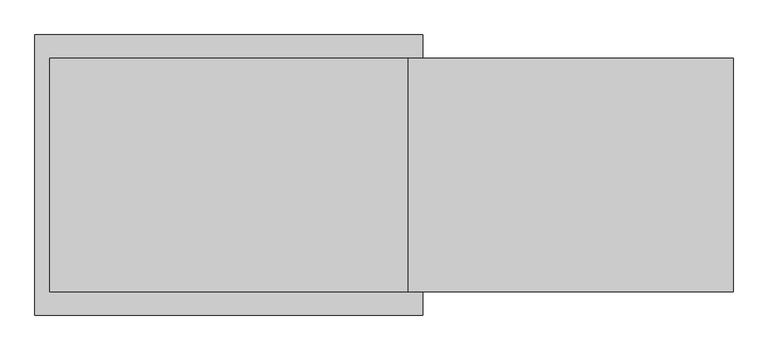
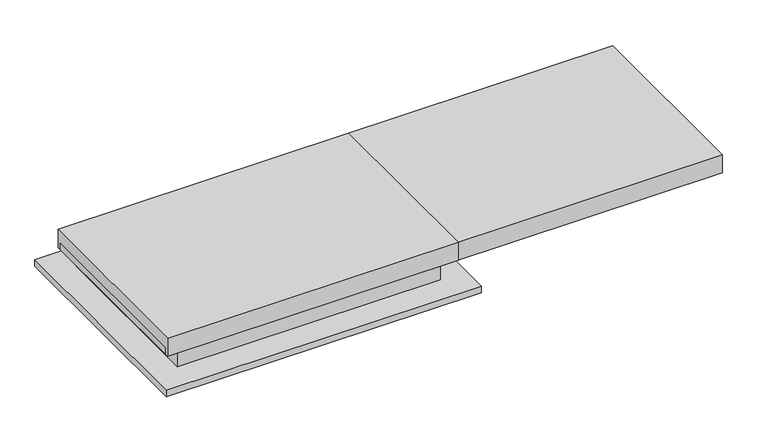
"""IFC4 building model written with IfcOpenShell, lengths in millimetres: proxy geometry."""

from ifc_helpers import new_model, si_unit, frame, origin, place, context, project, spatial, polyline, outline, extrude, faceted_brep, source, transform, mapped, element, save


def specialty_equipment_65648e84(model_context):
    return source(origin(), model_context, "Body", "SolidModel", [
        extrude(outline(polyline([(-1304.0, 109.0), (-1310.0, 109.0), (-1310.0, 159.0), (-1260.0, 159.0), (-1260.0, 153.0), (-1304.0, 153.0), (-1304.0, 109.0)])), frame((-1191.0, 0.0, 0.0), z_axis=(1.0, 0.0, 0.0), x_axis=(0.0, 1.0, 0.0)), (0.0, 0.0, 1.0), 1502.0),
        extrude(outline(polyline([(-296.0, 109.0), (-296.0, 153.0), (-340.0, 153.0), (-340.0, 159.0), (-290.0, 159.0), (-290.0, 109.0), (-296.0, 109.0)])), frame((-1191.0, 0.0, 0.0), z_axis=(1.0, 0.0, 0.0), x_axis=(0.0, 1.0, 0.0)), (0.0, 0.0, 1.0), 1502.0),
        extrude(outline(polyline([(159.0, -1191.0), (159.0, -1241.0), (153.0, -1241.0), (153.0, -1197.0), (109.0, -1197.0), (109.0, -1191.0), (159.0, -1191.0)])), frame((0.0, -1310.0, 0.0), z_axis=(0.0, 1.0, 0.0), x_axis=(0.0, 0.0, 1.0)), (0.0, 0.0, 1.0), 1020.0),
        extrude(outline(polyline([(159.0, 311.0), (109.0, 311.0), (109.0, 317.0), (153.0, 317.0), (153.0, 361.0), (159.0, 361.0), (159.0, 311.0)])), frame((0.0, -1310.0, 0.0), z_axis=(0.0, 1.0, 0.0), x_axis=(0.0, 0.0, 1.0)), (0.0, 0.0, 1.0), 1020.0),
        extrude(outline(polyline([(-257.5, 226.0), (-257.5, 116.0), (-273.5, 116.0), (-273.5, 159.0), (-1326.5, 159.0), (-1326.5, 116.0), (-1342.5, 116.0), (-1342.5, 226.0), (-257.5, 226.0)])), frame((-1270.0, 0.0, 0.0), z_axis=(1.0, 0.0, 0.0), x_axis=(0.0, 1.0, 0.0)), (0.0, 0.0, 1.0), 1660.0),
        faceted_brep([(-1191.0, -299.0, 153.0), (-1191.0, -299.0, 1.0), (-1191.0, -1301.0, 1.0), (-1191.0, -1301.0, 153.0), (-1190.0, -300.0, 153.0), (-1190.0, -1300.0, 153.0), (-1190.0, -1300.0, 0.0), (-1190.0, -300.0, 0.0), (311.0, -1301.0, 1.0), (311.0, -1301.0, 153.0), (310.0, -1300.0, 153.0), (310.0, -1300.0, 0.0), (311.0, -299.0, 153.0), (311.0, -299.0, 1.0), (310.0, -300.0, 153.0), (310.0, -300.0, 0.0), (460.0, -150.0, 1.0), (-1340.0, -150.0, 1.0), (-1340.0, -1450.0, 1.0), (460.0, -1450.0, 1.0), (459.0, -151.0, 0.0), (459.0, -1449.0, 0.0), (-1339.0, -1449.0, 0.0), (-1339.0, -151.0, 0.0), (460.0, -150.0, -39.0), (-1340.0, -150.0, -39.0), (-1340.0, -1450.0, -39.0), (460.0, -1450.0, -39.0), (459.0, -151.0, -39.0), (-1339.0, -151.0, -39.0), (-1339.0, -1449.0, -39.0), (459.0, -1449.0, -39.0)], [[[0, 1, 2, 3]], [[4, 5, 6, 7]], [[3, 2, 8, 9]], [[5, 10, 11, 6]], [[1, 0, 12, 13]], [[14, 4, 7, 15]], [[16, 17, 18, 19], [2, 1, 13, 8]], [[20, 21, 22, 23], [15, 7, 6, 11]], [[17, 16, 24, 25]], [[18, 17, 25, 26]], [[19, 18, 26, 27]], [[24, 16, 19, 27]], [[24, 27, 26, 25], [28, 29, 30, 31]], [[28, 31, 21, 20]], [[31, 30, 22, 21]], [[30, 29, 23, 22]], [[29, 28, 20, 23]], [[9, 8, 13, 12]], [[0, 3, 9, 12], [5, 4, 14, 10]], [[10, 14, 15, 11]]]),
        extrude(outline(polyline([(1900.0, -257.5), (1900.0, -1342.5), (-1270.0, -1342.5), (-1270.0, -257.5), (1900.0, -257.5)])), frame((0.0, 0.0, 116.0), z_axis=(0.0, 0.0, 1.0), x_axis=(1.0, 0.0, 0.0)), (0.0, 0.0, 1.0), 110.0),
    ])


if __name__ == "__main__":
    model = new_model("IFC4")
    model_context = context("Model", 3, world=origin())
    ifc_project = project(units=[si_unit("LENGTHUNIT", "METRE", prefix="MILLI")], contexts=[model_context])
    site = spatial("IfcSite", under=ifc_project)
    building = spatial("IfcBuilding", under=site)
    placement = place(None, origin())
    specialty_equipment_shape = specialty_equipment_65648e84(model_context)
    element("IfcBuildingElementProxy", 1, Name="Specialty Equipment", at=placement, inside=building, context=model_context, shape_type="MappedRepresentation", body=[
        mapped(specialty_equipment_shape, transform((0.0, 0.0, 0.0), x_axis=(1.0, 0.0, 0.0), y_axis=(0.0, 1.0, 0.0), z_axis=(0.0, 0.0, 1.0))),
    ])
    save(model, "model.ifc")
